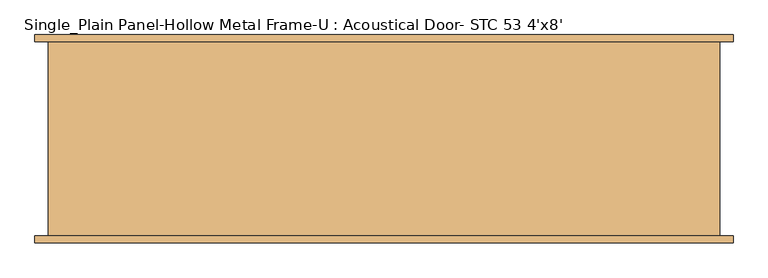
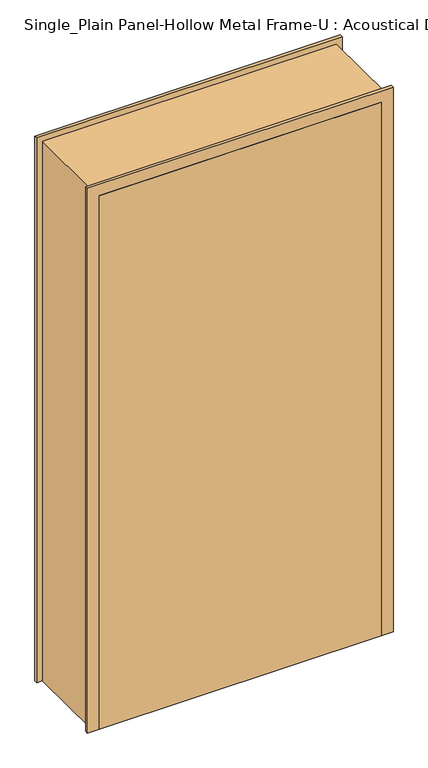
"""IFC4 building model written with IfcOpenShell, lengths in millimetres: door geometry, Single_Plain Panel-Hollow Metal Frame-U : Acoustical Door- STC 53 4'x8'."""

import ifcopenshell
import ifcopenshell.guid

model = None  # the IFC model being written
_history = None  # IfcOwnerHistory: only IFC2X3 demands one
_inside = {}  # id of a spatial element -> (the spatial element, [elements in it])
_under = {}  # id of a project, library or spatial element -> (it, [spatial elements below it])
_declared = {}  # id of a project -> (the project, [libraries it declares])
_typed = {}  # id of a type object -> (the type object, [elements of that type])
_made_of = {}  # id of a material, layer set ... -> (it, [elements and type objects made of it])


def new_model(schema):
    """Start an empty IFC model of exactly this schema.

    Asked for "IFC4X3", IfcOpenShell would pick the latest addendum, in which some entities
    have other attributes; the version numbers below select the first issue.
    IFC2X3 requires an IfcOwnerHistory on every rooted entity: one is made here for all.
    """
    global model, _history
    if schema == "IFC4X3":
        model = ifcopenshell.file(schema_version=(4, 3, 0, 0))
    else:
        model = ifcopenshell.file(schema=schema)
    _inside.clear()
    _under.clear()
    _declared.clear()
    _typed.clear()
    _made_of.clear()
    _history = None
    if model.schema == "IFC2X3":
        org = make("IfcOrganization", Name="unknown")
        user = make(
            "IfcPersonAndOrganization",
            ThePerson=make("IfcPerson", FamilyName="unknown"),
            TheOrganization=org,
        )
        app = make(
            "IfcApplication",
            ApplicationDeveloper=org,
            Version="unknown",
            ApplicationFullName="unknown",
            ApplicationIdentifier="unknown",
        )
        _history = make(
            "IfcOwnerHistory",
            OwningUser=user,
            OwningApplication=app,
            ChangeAction="ADDED",
            CreationDate=0,
        )
    return model


def make(cls, **values):
    """One entity of the class cls with the attributes given. An attribute that is None is left unset."""
    return model.create_entity(
        cls, **{name: value for name, value in values.items() if value is not None}
    )


def rooted(cls, **values):
    """An entity with a GlobalId (a new one), such as an element, a storey or a relation."""
    return make(cls, GlobalId=ifcopenshell.guid.new(), OwnerHistory=_history, **values)


def si_unit(unit_type, name, prefix=None):
    """IfcSIUnit, for example si_unit("LENGTHUNIT", "METRE", prefix="MILLI")."""
    return make("IfcSIUnit", UnitType=unit_type, Prefix=prefix, Name=name)


def assignment(units):
    """IfcUnitAssignment: the units of a project."""
    return None if units is None else make("IfcUnitAssignment", Units=units)


def point(xyz):
    """IfcCartesianPoint."""
    return None if xyz is None else make("IfcCartesianPoint", Coordinates=xyz)


def direction(xyz):
    """IfcDirection."""
    return None if xyz is None else make("IfcDirection", DirectionRatios=xyz)


def frame(location, z_axis=None, x_axis=None):
    """IfcAxis2Placement3D, a coordinate frame: its origin and axes. An axis left out is left unset."""
    return make(
        "IfcAxis2Placement3D",
        Location=point(location),
        Axis=direction(z_axis),
        RefDirection=direction(x_axis),
    )


def origin():
    """The frame at (0, 0, 0) with its axes left unset."""
    return frame((0.0, 0.0, 0.0))


def origin_with_axes():
    """The frame at (0, 0, 0) with the z axis (0, 0, 1) and the x axis (1, 0, 0) written out."""
    return frame((0.0, 0.0, 0.0), z_axis=(0.0, 0.0, 1.0), x_axis=(1.0, 0.0, 0.0))


def place(relative_to, where):
    """IfcLocalPlacement: puts the frame where relative to a parent placement (None: the world)."""
    return make(
        "IfcLocalPlacement", PlacementRelTo=relative_to, RelativePlacement=where
    )


def context(
    kind, dimensions, precision=None, world=None, true_north=None, identifier=None
):
    """IfcGeometricRepresentationContext, for example the 3D "Model" context."""
    return make(
        "IfcGeometricRepresentationContext",
        ContextIdentifier=identifier,
        ContextType=kind,
        CoordinateSpaceDimension=dimensions,
        Precision=precision,
        WorldCoordinateSystem=world,
        TrueNorth=true_north,
    )


def project(units=None, contexts=None):
    """IfcProject with its units and contexts."""
    return rooted(
        "IfcProject",
        Name="project",
        RepresentationContexts=contexts,
        UnitsInContext=assignment(units),
    )


def spatial(cls, under=None, at=None, **own):
    """A site, building, storey or space (cls), placed at a placement, below another one or the project."""
    s = rooted(cls, ObjectPlacement=at, **own)
    if under is not None:
        _under.setdefault(under.id(), (under, []))[1].append(s)
    return s


def polyline(points):
    """IfcPolyline through the points."""
    return make("IfcPolyline", Points=[point(p) for p in points])


def outline(outer, holes=None, kind="AREA"):
    """IfcArbitraryClosedProfileDef: a profile drawn as a closed curve; with holes, ...WithVoids."""
    if holes is None:
        return make("IfcArbitraryClosedProfileDef", ProfileType=kind, OuterCurve=outer)
    return make(
        "IfcArbitraryProfileDefWithVoids",
        ProfileType=kind,
        OuterCurve=outer,
        InnerCurves=holes,
    )


def extrude(swept, where, along, depth):
    """IfcExtrudedAreaSolid: the profile swept, set in the frame where, extruded along a direction by depth."""
    return make(
        "IfcExtrudedAreaSolid",
        SweptArea=swept,
        Position=where,
        ExtrudedDirection=direction(along),
        Depth=depth,
    )


def faces_of(points, faces, orient=None, outer=None):
    """IfcFace entities. A face is a list of loops; a loop is a list of indices into points, from 0.

    orient and outer hold one flag for each loop. By default every Orientation is true, the
    first loop of a face is its IfcFaceOuterBound and the others are IfcFaceBound.
    """
    made = []
    for i, loops in enumerate(faces):
        bounds = []
        for j, loop in enumerate(loops):
            is_outer = j == 0 if outer is None else outer[i][j]
            bounds.append(
                make(
                    "IfcFaceOuterBound" if is_outer else "IfcFaceBound",
                    Bound=make("IfcPolyLoop", Polygon=[points[k] for k in loop]),
                    Orientation=True if orient is None else orient[i][j],
                )
            )
        made.append(make("IfcFace", Bounds=bounds))
    return made


def faceted_brep(points, faces, orient=None, outer=None, voids=None):
    """IfcFacetedBrep: a solid bounded by flat faces; with voids (closed shells), ...WithVoids."""
    shared = [point(p) for p in points]
    hull = make("IfcClosedShell", CfsFaces=faces_of(shared, faces, orient, outer))
    if voids is None:
        return make("IfcFacetedBrep", Outer=hull)
    return make(
        "IfcFacetedBrepWithVoids",
        Outer=hull,
        Voids=[
            make(cls, CfsFaces=faces_of(shared, fs, o, b)) for cls, fs, o, b in voids
        ],
    )


def shape(context_of_items, identifier, shape_type, items):
    """IfcShapeRepresentation: the items that make up one representation, for example the "Body"."""
    return make(
        "IfcShapeRepresentation",
        ContextOfItems=context_of_items,
        RepresentationIdentifier=identifier,
        RepresentationType=shape_type,
        Items=items,
    )


def source(mapping_origin, context_of_items, identifier, shape_type, items):
    """IfcRepresentationMap: a shape defined once, which mapped items show again and again."""
    return make(
        "IfcRepresentationMap",
        MappingOrigin=mapping_origin,
        MappedRepresentation=shape(context_of_items, identifier, shape_type, items),
    )


def transform(
    local_origin,
    x_axis=None,
    y_axis=None,
    z_axis=None,
    scale=None,
    scale2=None,
    scale3=None,
    uniform=True,
):
    """IfcCartesianTransformationOperator3D, or its non-uniform kind. x_axis, y_axis, z_axis: its Axis1, 2, 3."""
    if uniform:
        return make(
            "IfcCartesianTransformationOperator3D",
            Axis1=direction(x_axis),
            Axis2=direction(y_axis),
            LocalOrigin=point(local_origin),
            Scale=scale,
            Axis3=direction(z_axis),
        )
    return make(
        "IfcCartesianTransformationOperator3DnonUniform",
        Axis1=direction(x_axis),
        Axis2=direction(y_axis),
        LocalOrigin=point(local_origin),
        Scale=scale,
        Axis3=direction(z_axis),
        Scale2=scale2,
        Scale3=scale3,
    )


def mapped(mapping_source, mapping_target):
    """IfcMappedItem: shows the shape of a source again, moved by a transform."""
    return make(
        "IfcMappedItem", MappingSource=mapping_source, MappingTarget=mapping_target
    )


def made_of(thing, what):
    """Note that an element or type object is made of a material, layer set ...; save() writes the relation."""
    if what is not None:
        _made_of.setdefault(what.id(), (what, []))[1].append(thing)
    return thing


def element(
    cls,
    number,
    at=None,
    inside=None,
    cuts=None,
    type_object=None,
    material=None,
    context=None,
    identifier="Body",
    shape_type=None,
    held_by="IfcProductDefinitionShape",
    body=None,
    shapes=None,
    **own,
):
    """One element of the class cls, such as IfcWall. Its Tag is "e" and its number.

    at: its placement. inside: the storey or other place that contains it. cuts: it is an
    opening in that element (IfcRelVoidsElement). A single representation is given by context,
    identifier, shape_type and body (its items); several are given by shapes. held_by: the class
    of the entity that holds the representations. save() writes the other relations.
    """
    e = rooted(cls, Tag="e%d" % number, ObjectPlacement=at, **own)
    if body is not None:
        shapes = [shape(context, identifier, shape_type, body)]
    if shapes is not None:
        e.Representation = make(held_by, Representations=shapes)
    if inside is not None:
        _inside.setdefault(inside.id(), (inside, []))[1].append(e)
    if cuts is not None:
        rooted(
            "IfcRelVoidsElement", RelatingBuildingElement=cuts, RelatedOpeningElement=e
        )
    if type_object is not None:
        _typed.setdefault(type_object.id(), (type_object, []))[1].append(e)
    return made_of(e, material)


def aggregate(whole, parts):
    """IfcRelAggregates: a whole, such as a stair, and the parts it consists of."""
    return rooted("IfcRelAggregates", RelatingObject=whole, RelatedObjects=parts)


def save(model, path):
    """Write the relations noted so far, then the file.

    IfcRelAggregates (storeys below a building ...), IfcRelContainedInSpatialStructure (elements
    in a storey), IfcRelDefinesByType, IfcRelAssociatesMaterial and IfcRelDeclares: one each for
    every whole, place, type object, material and project.
    """
    for whole, parts in _under.values():
        aggregate(whole, parts)
    for where, things in _inside.values():
        rooted(
            "IfcRelContainedInSpatialStructure",
            RelatedElements=things,
            RelatingStructure=where,
        )
    for kind, things in _typed.values():
        rooted("IfcRelDefinesByType", RelatedObjects=things, RelatingType=kind)
    for what, things in _made_of.values():
        rooted("IfcRelAssociatesMaterial", RelatedObjects=things, RelatingMaterial=what)
    for by, libraries in _declared.values():
        rooted("IfcRelDeclares", RelatingContext=by, RelatedDefinitions=libraries)
    model.write(path)


def single_plain_panel_hollow_metal_frame_u_acoustical_door_stc_e2106f04(model_context):
    return source(origin(), model_context, "Body", "SolidModel", [
        extrude(outline(polyline([(609.6, -152.4), (609.6, -196.85), (-609.6, -196.85), (-609.6, -152.4), (609.6, -152.4)])), origin_with_axes(), (0.0, 0.0, 1.0), 2438.4),
        faceted_brep([(660.4, 184.15, 0.0), (635.0, 184.15, 0.0), (635.0, -184.15, 0.0), (660.4, -184.15, 0.0), (660.4, -196.85, 0.0), (609.6, -196.85, 0.0), (609.6, -152.4, 0.0), (593.725, -152.4, 0.0), (593.725, -101.6, 0.0), (609.6, -101.6, 0.0), (609.6, 196.85, 0.0), (660.4, 196.85, 0.0), (660.4, 196.85, 2489.2), (660.4, 184.15, 2489.2), (609.6, 196.85, 2438.4), (-609.6, 196.85, 2438.4), (-609.6, 196.85, 0.0), (-660.4, 196.85, 0.0), (-660.4, 196.85, 2489.2), (609.6, -101.6, 2438.4), (593.725, -101.6, 2422.525), (-593.725, -101.6, 2422.525), (-593.725, -101.6, 0.0), (-609.6, -101.6, 0.0), (-609.6, -101.6, 2438.4), (593.725, -152.4, 2422.525), (609.6, -152.4, 2438.4), (-609.6, -152.4, 2438.4), (-609.6, -152.4, 0.0), (-593.725, -152.4, 0.0), (-593.725, -152.4, 2422.525), (609.6, -196.85, 2438.4), (660.4, -196.85, 2489.2), (-660.4, -196.85, 2489.2), (-660.4, -196.85, 0.0), (-609.6, -196.85, 0.0), (-609.6, -196.85, 2438.4), (660.4, -184.15, 2489.2), (635.0, -184.15, 2463.8), (-635.0, -184.15, 2463.8), (-635.0, -184.15, 0.0), (-660.4, -184.15, 0.0), (-660.4, -184.15, 2489.2), (635.0, 184.15, 2463.8), (-660.4, 184.15, 2489.2), (-660.4, 184.15, 0.0), (-635.0, 184.15, 0.0), (-635.0, 184.15, 2463.8)], [[[0, 1, 2, 3, 4, 5, 6, 7, 8, 9, 10, 11]], [[11, 12, 13, 0]], [[10, 14, 15, 16, 17, 18, 12, 11]], [[9, 19, 14, 10]], [[8, 20, 21, 22, 23, 24, 19, 9]], [[7, 25, 20, 8]], [[6, 26, 27, 28, 29, 30, 25, 7]], [[5, 31, 26, 6]], [[4, 32, 33, 34, 35, 36, 31, 5]], [[3, 37, 32, 4]], [[2, 38, 39, 40, 41, 42, 37, 3]], [[1, 43, 38, 2]], [[0, 13, 44, 45, 46, 47, 43, 1]], [[18, 17, 45, 44]], [[45, 17, 16, 23, 22, 29, 28, 35, 34, 41, 40, 46]], [[24, 23, 16, 15]], [[30, 29, 22, 21]], [[36, 35, 28, 27]], [[42, 41, 34, 33]], [[47, 46, 40, 39]], [[12, 18, 44, 13]], [[19, 24, 15, 14]], [[25, 30, 21, 20]], [[31, 36, 27, 26]], [[37, 42, 33, 32]], [[43, 47, 39, 38]]]),
    ])


if __name__ == "__main__":
    model = new_model("IFC4")
    model_context = context("Model", 3, world=origin())
    ifc_project = project(units=[si_unit("LENGTHUNIT", "METRE", prefix="MILLI")], contexts=[model_context])
    site = spatial("IfcSite", under=ifc_project)
    building = spatial("IfcBuilding", under=site)
    placement = place(None, origin())
    single_plain_panel_hollow_metal_frame_u_acoustical_door_stc_shape = single_plain_panel_hollow_metal_frame_u_acoustical_door_stc_e2106f04(model_context)
    element("IfcDoor", 1, ObjectType="Single_Plain Panel-Hollow Metal Frame-U : Acoustical Door- STC 53 4'x8'", at=placement, inside=building, context=model_context, shape_type="MappedRepresentation", body=[
        mapped(single_plain_panel_hollow_metal_frame_u_acoustical_door_stc_shape, transform((0.0, 0.0, 0.0), x_axis=(1.0, 0.0, 0.0), y_axis=(0.0, 1.0, 0.0), z_axis=(0.0, 0.0, 1.0))),
    ])
    save(model, "model.ifc")
